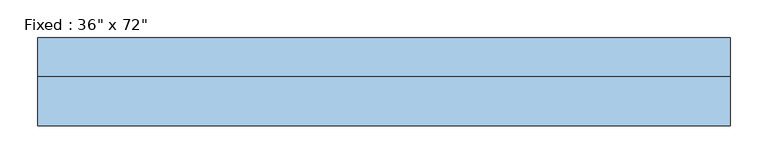
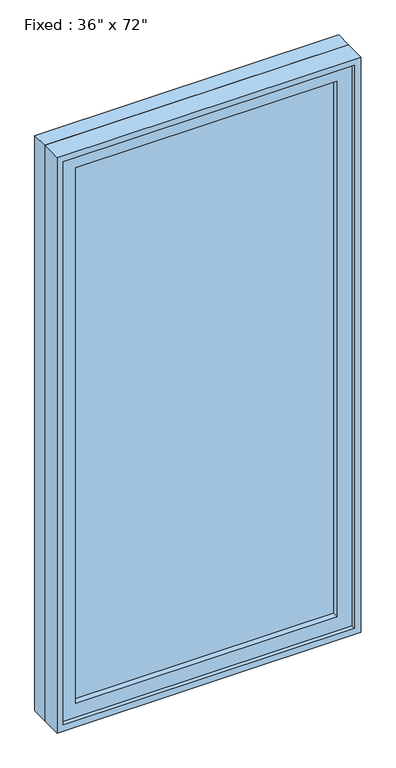
"""IFC4 building model written with IfcOpenShell, lengths in millimetres: window geometry."""

from ifc_helpers import new_model, si_unit, frame, origin, place, context, project, spatial, polyline, outline, extrude, source, transform, mapped, element, save


def window_fbea50ee(model_context):
    return source(origin(), model_context, "Body", "SweptSolid", [
        extrude(outline(polyline([(355.6, 71.2390625), (355.6, 58.5390625), (-431.8, 58.5390625), (-431.8, 71.2390625), (355.6, 71.2390625)])), frame((0.0, 0.0, 368.3), z_axis=(0.0, 0.0, 1.0), x_axis=(1.0, 0.0, 0.0)), (0.0, 0.0, 1.0), 1701.8),
        extrude(outline(polyline([(2114.55, -476.25), (323.85, -476.25), (323.85, 400.05), (2114.55, 400.05), (2114.55, -476.25)]), holes=[polyline([(2070.1, -431.8), (2070.1, 355.6), (368.3, 355.6), (368.3, -431.8), (2070.1, -431.8)])]), frame((0.0, 39.4890625, 0.0), z_axis=(0.0, 1.0, 0.0), x_axis=(0.0, 0.0, 1.0)), (0.0, 0.0, 1.0), 50.8),
        extrude(outline(polyline([(2133.6, -495.3), (304.8, -495.3), (304.8, 419.1), (2133.6, 419.1), (2133.6, -495.3)]), holes=[polyline([(2101.85, -463.55), (2101.85, 387.35), (336.55, 387.35), (336.55, -463.55), (2101.85, -463.55)])]), frame((0.0, 90.2890625, 0.0), z_axis=(0.0, 1.0, 0.0), x_axis=(0.0, 0.0, 1.0)), (0.0, 0.0, 1.0), 50.8),
        extrude(outline(polyline([(2133.6, 419.1), (2133.6, -495.3), (304.8, -495.3), (304.8, 419.1), (2133.6, 419.1)]), holes=[polyline([(2114.55, 400.05), (323.85, 400.05), (323.85, -476.25), (2114.55, -476.25), (2114.55, 400.05)])]), frame((0.0, 25.2015625, 0.0), z_axis=(0.0, 1.0, 0.0), x_axis=(0.0, 0.0, 1.0)), (0.0, 0.0, 1.0), 65.0875),
    ])


if __name__ == "__main__":
    model = new_model("IFC4")
    model_context = context("Model", 3, world=origin())
    ifc_project = project(units=[si_unit("LENGTHUNIT", "METRE", prefix="MILLI")], contexts=[model_context])
    site = spatial("IfcSite", under=ifc_project)
    building = spatial("IfcBuilding", under=site)
    placement = place(None, origin())
    window_shape = window_fbea50ee(model_context)
    element("IfcWindow", 1, ObjectType="Fixed : 36\" x 72\"", at=placement, inside=building, context=model_context, shape_type="MappedRepresentation", body=[
        mapped(window_shape, transform((0.0, 0.0, 0.0), x_axis=(1.0, 0.0, 0.0), y_axis=(0.0, 1.0, 0.0), z_axis=(0.0, 0.0, 1.0))),
    ])
    save(model, "model.ifc")
